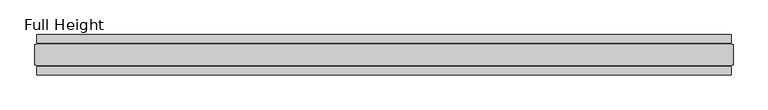
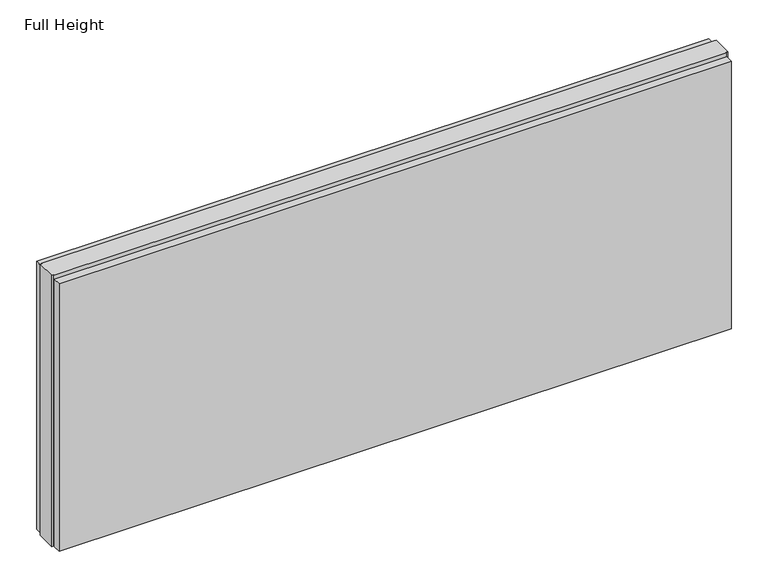
"""IFC4 building model written with IfcOpenShell, lengths in millimetres: plate geometry, Full Height."""

from ifc_helpers import new_model, si_unit, origin, origin_with_axes, place, context, project, spatial, polyline, outline, extrude, source, transform, mapped, element, save


def full_height_37132daa(model_context):
    return source(origin(), model_context, "Body", "SweptSolid", [
        extrude(outline(polyline([(856.1864857, 28.956), (-856.1864857, 28.956), (-856.1864857, 49.53), (856.1864857, 49.53), (856.1864857, 28.956)])), origin_with_axes(), (0.0, 0.0, 1.0), 720.852),
        extrude(outline(polyline([(856.1864857, -28.956), (856.1864857, -49.53), (-856.1864857, -49.53), (-856.1864857, -28.956), (856.1864857, -28.956)])), origin_with_axes(), (0.0, 0.0, 1.0), 720.852),
        extrude(outline(polyline([(856.1864857, -25.146), (856.1864857, -26.67), (-856.1864857, -26.67), (-856.1864857, -25.146), (-860.7584857, -25.146), (-860.7584857, 25.146), (-856.1864857, 25.146), (-856.1864857, 26.67), (856.1864857, 26.67), (856.1864857, 25.146), (860.7584857, 25.146), (860.7584857, -25.146), (856.1864857, -25.146)])), origin_with_axes(), (0.0, 0.0, 1.0), 729.996),
    ])


if __name__ == "__main__":
    model = new_model("IFC4")
    model_context = context("Model", 3, world=origin())
    ifc_project = project(units=[si_unit("LENGTHUNIT", "METRE", prefix="MILLI")], contexts=[model_context])
    site = spatial("IfcSite", under=ifc_project)
    building = spatial("IfcBuilding", under=site)
    placement = place(None, origin())
    full_height_shape = full_height_37132daa(model_context)
    element("IfcPlate", 1, ObjectType="Full Height", at=placement, inside=building, context=model_context, shape_type="MappedRepresentation", body=[
        mapped(full_height_shape, transform((0.0, 0.0, 0.0), x_axis=(1.0, 0.0, 0.0), y_axis=(0.0, 1.0, 0.0), z_axis=(0.0, 0.0, 1.0))),
    ])
    save(model, "model.ifc")
